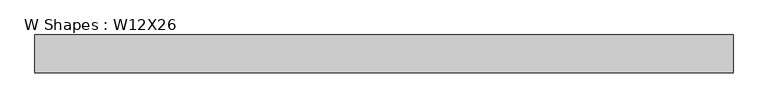
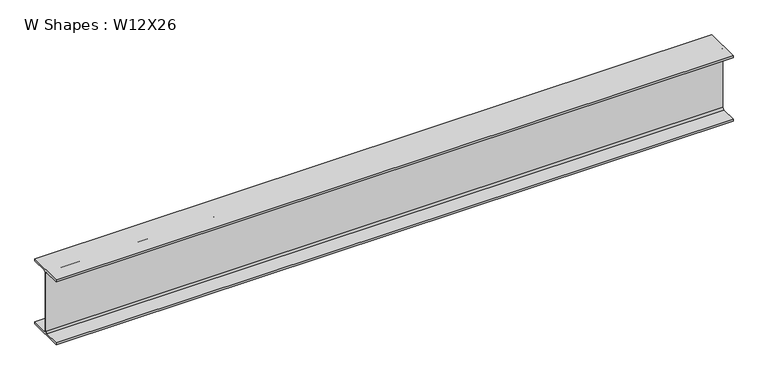
"""IFC4 building model written with IfcOpenShell, lengths in millimetres: beam geometry, W Shapes : W12X26."""

from ifc_helpers import new_model, si_unit, point, frame, frame_2d, origin, place, context, project, spatial, polyline, circle_curve, trimmed, segment, composite_curve, outline, extrude, source, transform, mapped, element, save


def w_shapes_w12x26_b69ed682(model_context):
    return source(origin(), model_context, "Body", "SweptSolid", [
        extrude(outline(composite_curve([segment(polyline([(82.423, -145.288), (82.423, -154.94), (-82.423, -154.94), (-82.423, -145.288), (-10.541, -145.288)]), True, "CONTINUOUS"), segment(trimmed(circle_curve(frame_2d((-10.541, -137.668)), 7.62), [point((-10.541, -145.288))], [point((-2.921, -137.668))], True, "CARTESIAN"), True, "CONTINUOUS"), segment(polyline([(-2.921, -137.668), (-2.921, 137.668)]), True, "CONTINUOUS"), segment(trimmed(circle_curve(frame_2d((-10.541, 137.668)), 7.62), [point((-2.921, 137.668))], [point((-10.541, 145.288))], True, "CARTESIAN"), True, "CONTINUOUS"), segment(polyline([(-10.541, 145.288), (-82.423, 145.288), (-82.423, 154.94), (82.423, 154.94), (82.423, 145.288), (10.541, 145.288)]), True, "CONTINUOUS"), segment(trimmed(circle_curve(frame_2d((10.541, 137.668)), 7.62), [point((10.541, 145.288))], [point((2.921, 137.668))], True, "CARTESIAN"), True, "CONTINUOUS"), segment(polyline([(2.921, 137.668), (2.921, -137.668)]), True, "CONTINUOUS"), segment(trimmed(circle_curve(frame_2d((10.541, -137.668)), 7.62), [point((2.921, -137.668))], [point((10.541, -145.288))], True, "CARTESIAN"), True, "CONTINUOUS"), segment(polyline([(10.541, -145.288), (82.423, -145.288)]), True, "CONTINUOUS")], self_intersect=False)), frame((-1520.317, 0.0, 0.0), z_axis=(1.0, 0.0, 0.0), x_axis=(0.0, 1.0, 0.0)), (0.0, 0.0, 1.0), 3040.634),
    ])


if __name__ == "__main__":
    model = new_model("IFC4")
    model_context = context("Model", 3, world=origin())
    ifc_project = project(units=[si_unit("LENGTHUNIT", "METRE", prefix="MILLI")], contexts=[model_context])
    site = spatial("IfcSite", under=ifc_project)
    building = spatial("IfcBuilding", under=site)
    placement = place(None, origin())
    w_shapes_w12x26_shape = w_shapes_w12x26_b69ed682(model_context)
    element("IfcBeam", 1, ObjectType="W Shapes : W12X26", at=placement, inside=building, context=model_context, shape_type="MappedRepresentation", body=[
        mapped(w_shapes_w12x26_shape, transform((0.0, 0.0, 0.0), x_axis=(1.0, 0.0, 0.0), y_axis=(0.0, 1.0, 0.0), z_axis=(0.0, 0.0, 1.0))),
    ])
    save(model, "model.ifc")
